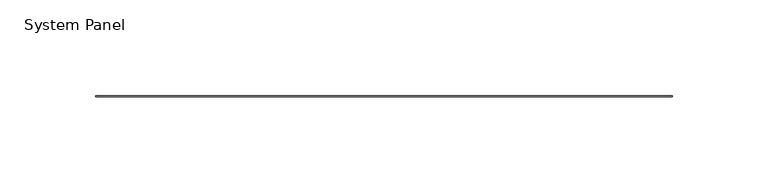
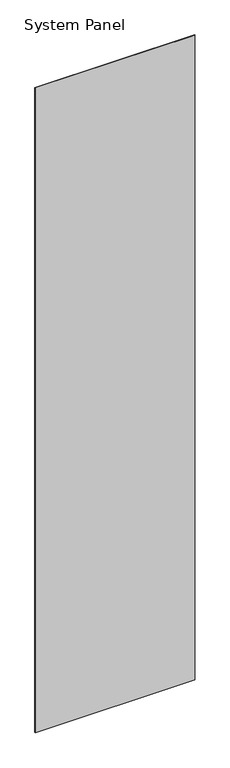
"""IFC4 building model written with IfcOpenShell, lengths in millimetres: plate geometry, System Panel."""

from ifc_helpers import new_model, si_unit, origin, origin_with_axes, place, context, project, spatial, polyline, outline, extrude, source, transform, mapped, element, save


def system_panel_9ccb10fe(model_context):
    return source(origin(), model_context, "Body", "SweptSolid", [
        extrude(outline(polyline([(150.6855, -0.2480469), (-150.6855, -0.2480469), (-150.6855, 0.2480469), (150.6855, 0.2480469), (150.6855, -0.2480469)])), origin_with_axes(), (0.0, 0.0, 1.0), 1285.875),
    ])


if __name__ == "__main__":
    model = new_model("IFC4")
    model_context = context("Model", 3, world=origin())
    ifc_project = project(units=[si_unit("LENGTHUNIT", "METRE", prefix="MILLI")], contexts=[model_context])
    site = spatial("IfcSite", under=ifc_project)
    building = spatial("IfcBuilding", under=site)
    placement = place(None, origin())
    system_panel_shape = system_panel_9ccb10fe(model_context)
    element("IfcPlate", 1, ObjectType="System Panel", at=placement, inside=building, context=model_context, shape_type="MappedRepresentation", body=[
        mapped(system_panel_shape, transform((0.0, 0.0, 0.0), x_axis=(1.0, 0.0, 0.0), y_axis=(0.0, 1.0, 0.0), z_axis=(0.0, 0.0, 1.0))),
    ])
    save(model, "model.ifc")
